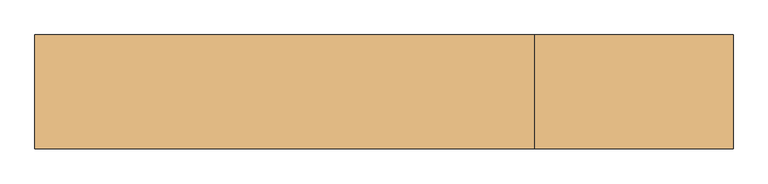
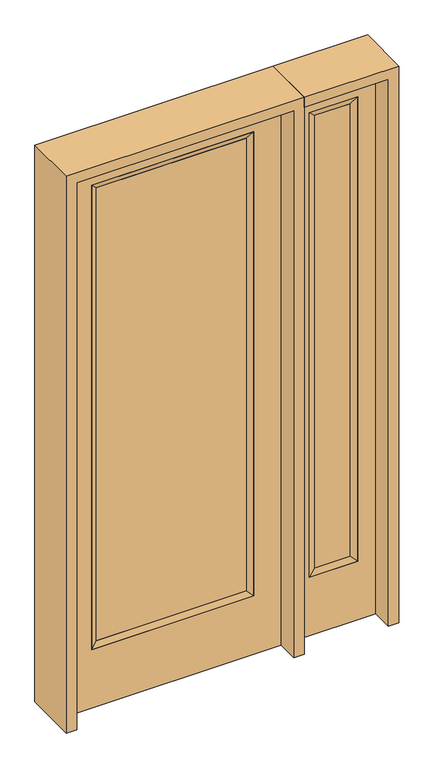
"""IFC4 building model written with IfcOpenShell, lengths in millimetres: door geometry."""

from ifc_helpers import new_model, si_unit, frame, origin, place, context, project, spatial, polyline, outline, extrude, faceted_brep, source, transform, mapped, element, save


def door_5a25673f(model_context):
    return source(origin(), model_context, "Body", "SolidModel", [
        extrude(outline(polyline([(316.3824, -12.7039749), (-316.3824, -12.7039749), (-316.3824, 14.2875), (316.3824, 14.2875), (316.3824, -12.7039749)])), frame((0.0, 0.0, 285.75), z_axis=(0.0, 0.0, 1.0), x_axis=(1.0, 0.0, 0.0)), (0.0, 0.0, 1.0), 2019.3),
        faceted_brep([(316.3824, 14.2875, 2305.05), (341.7824, 22.225, 2330.45), (341.7824, 22.225, 260.35), (316.3824, 14.2875, 285.75), (341.7824, -22.225, 2330.45), (341.7824, -22.225, 260.35), (-341.7824, 22.225, 260.35), (-316.3824, 14.2875, 285.75), (316.3824, -12.7039749, 2305.05), (316.3824, -12.7039749, 285.75), (-316.3824, -12.7039749, 285.75), (-341.7824, -22.225, 260.35), (-341.7824, 22.225, 2330.45), (-316.3824, 14.2875, 2305.05), (-316.3824, -12.7039749, 2305.05), (-341.7824, -22.225, 2330.45)], [[[0, 1, 2, 3]], [[1, 4, 5, 2]], [[3, 2, 6, 7]], [[8, 0, 3, 9]], [[9, 3, 7, 10]], [[4, 8, 9, 5]], [[5, 9, 10, 11]], [[2, 5, 11, 6]], [[7, 6, 12, 13]], [[10, 7, 13, 14]], [[11, 10, 14, 15]], [[6, 11, 15, 12]], [[13, 12, 1, 0]], [[14, 13, 0, 8]], [[15, 14, 8, 4]], [[12, 15, 4, 1]]]),
        extrude(outline(polyline([(0.0, -457.2), (0.0, 457.2), (2438.4, 457.2), (2438.4, -457.2), (0.0, -457.2)]), holes=[polyline([(260.35, -341.7824), (2330.45, -341.7824), (2330.45, 341.7824), (260.35, 341.7824), (260.35, -341.7824)])]), frame((0.0, -22.225, 0.0), z_axis=(0.0, 1.0, 0.0), x_axis=(0.0, 0.0, 1.0)), (0.0, 0.0, 1.0), 44.45),
        faceted_brep([(577.85, 20.6375, 2330.45), (577.85, 20.6375, 260.35), (577.85, -20.6375, 260.35), (577.85, -20.6375, 2330.45), (603.25, -12.7, 285.75), (603.25, -12.7, 2305.05), (781.05, 20.6375, 260.35), (781.05, -20.6375, 260.35), (603.25, 12.7, 2305.05), (603.25, 12.7, 285.75), (755.65, 12.7, 285.75), (755.65, -12.7, 285.75), (781.05, 20.6375, 2330.45), (781.05, -20.6375, 2330.45), (755.65, 12.7, 2305.05), (755.65, -12.7, 2305.05)], [[[0, 1, 2, 3]], [[3, 2, 4, 5]], [[1, 6, 7, 2]], [[8, 9, 1, 0]], [[9, 10, 6, 1]], [[5, 4, 9, 8]], [[4, 11, 10, 9]], [[2, 7, 11, 4]], [[6, 12, 13, 7]], [[10, 14, 12, 6]], [[11, 15, 14, 10]], [[7, 13, 15, 11]], [[12, 0, 3, 13]], [[14, 8, 0, 12]], [[15, 5, 8, 14]], [[13, 3, 5, 15]]]),
        extrude(outline(polyline([(0.0, 857.25), (2438.4, 857.25), (2438.4, 501.65), (0.0, 501.65), (0.0, 857.25)]), holes=[polyline([(2330.45, 577.85), (2330.45, 781.05), (260.35, 781.05), (260.35, 577.85), (2330.45, 577.85)])]), frame((0.0, -20.6375, 0.0), z_axis=(0.0, 1.0, 0.0), x_axis=(0.0, 0.0, 1.0)), (0.0, 0.0, 1.0), 41.275),
        extrude(outline(polyline([(603.25, -12.7), (603.25, 12.7), (755.65, 12.7), (755.65, -12.7), (603.25, -12.7)])), frame((0.0, 0.0, 284.95625), z_axis=(0.0, 0.0, 1.0), x_axis=(1.0, 0.0, 0.0)), (0.0, 0.0, 1.0), 2020.09375),
        extrude(outline(polyline([(2482.85, -501.65), (0.0, -501.65), (0.0, -457.2), (2438.4, -457.2), (2438.4, 457.2), (0.0, 457.2), (0.0, 501.65), (2482.85, 501.65), (2482.85, -501.65)])), frame((0.0, -114.3, 0.0), z_axis=(0.0, 1.0, 0.0), x_axis=(0.0, 0.0, 1.0)), (0.0, 0.0, 1.0), 228.6),
        extrude(outline(polyline([(0.0, 857.25), (0.0, 901.7), (2482.85, 901.7), (2482.85, 501.65), (2438.4, 501.65), (2438.4, 857.25), (0.0, 857.25)])), frame((0.0, -114.3, 0.0), z_axis=(0.0, 1.0, 0.0), x_axis=(0.0, 0.0, 1.0)), (0.0, 0.0, 1.0), 228.6),
    ])


if __name__ == "__main__":
    model = new_model("IFC4")
    model_context = context("Model", 3, world=origin())
    ifc_project = project(units=[si_unit("LENGTHUNIT", "METRE", prefix="MILLI")], contexts=[model_context])
    site = spatial("IfcSite", under=ifc_project)
    building = spatial("IfcBuilding", under=site)
    placement = place(None, origin())
    door_shape = door_5a25673f(model_context)
    element("IfcDoor", 1, at=placement, inside=building, context=model_context, shape_type="MappedRepresentation", body=[
        mapped(door_shape, transform((0.0, 0.0, 0.0), x_axis=(1.0, 0.0, 0.0), y_axis=(0.0, 1.0, 0.0), z_axis=(0.0, 0.0, 1.0))),
    ])
    save(model, "model.ifc")
